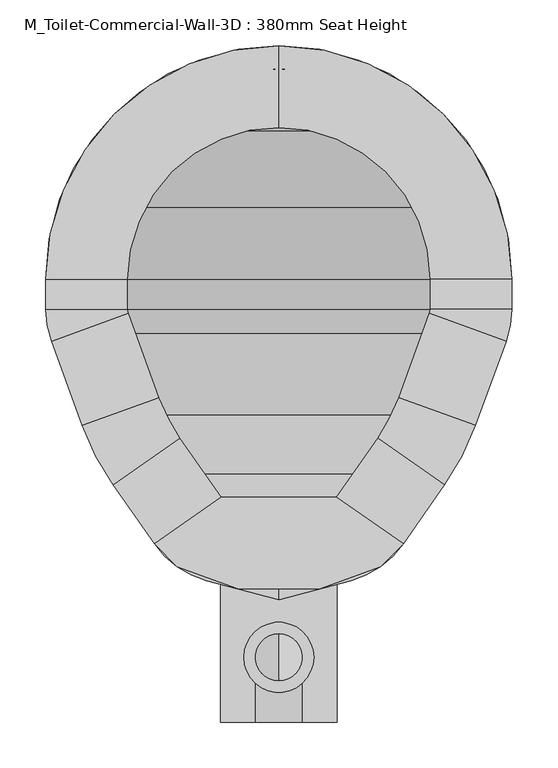
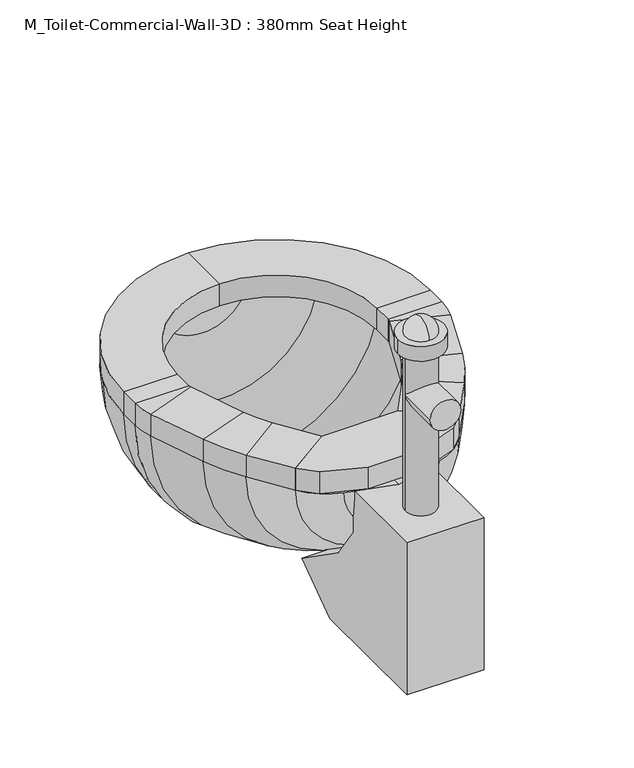
"""IFC4 building model written with IfcOpenShell, lengths in millimetres: flow terminal geometry, M_Toilet-Commercial-Wall-3D : 380mm Seat Height."""

from ifc_helpers import new_model, si_unit, point, frame, frame_2d, origin, place, context, project, spatial, polyline, circle_curve, ellipse_curve, trimmed, segment, composite_curve, outline, extrude, source, transform, mapped, element, save
from ifc_brep_helpers import plane_surface, cylinder_surface, revolved_surface, advanced_brep


def m_toilet_commercial_wall_3d_380mm_seat_height_4c4893a2(model_context):
    return source(origin(), model_context, "Body", "SolidModel", [
        extrude(outline(polyline([(467.7541169, 250.0347495), (540.5767337, 199.0438043), (515.6262519, 174.0933226), (449.563909, 150.0485961), (360.2423986, 150.0485961), (294.1800557, 174.0933226), (269.229574, 199.0438043), (342.0521907, 250.0347495), (467.7541169, 250.0347495)])), frame((0.0, 0.0, 341.9), z_axis=(0.0, 0.0, 1.0), x_axis=(1.0, 0.0, 0.0)), (0.0, 0.0, 1.0), 38.1),
        advanced_brep(
        [(467.7541169, 250.0347495, 341.9), (540.5767337, 199.0438043, 341.9), (540.5767337, 199.0438043, 380.0), (467.7541169, 250.0347495, 380.0), (512.8583992, 314.4503403, 341.9), (585.6810159, 263.4593951, 341.9), (585.6810159, 263.4593951, 380.0), (512.8583992, 314.4503403, 380.0), (619.360053, 328.1562234, 341.9), (535.821379, 358.5618141, 341.9), (619.360053, 328.1562234, 380.0), (535.821379, 358.5618141, 380.0), (569.2372501, 450.3711654, 341.9), (652.7759241, 419.9655747, 341.9), (652.7759241, 419.9655747, 380.0), (569.2372501, 450.3711654, 380.0), (658.9031538, 454.7148212, 341.9), (570.0031538, 454.7148212, 341.9), (658.9031538, 454.7148212, 380.0), (570.0031538, 454.7148212, 380.0), (570.0031538, 487.6, 341.9), (658.9031538, 487.6, 341.9), (658.9031538, 487.6, 380.0), (570.0031538, 487.6, 380.0), (404.9031538, 741.6, 341.9), (404.9031538, 652.7, 341.9), (404.9031538, 741.6, 380.0), (404.9031538, 652.7, 380.0), (150.9031538, 487.6, 341.9), (239.8031538, 487.6, 341.9), (150.9031538, 487.6, 380.0), (239.8031538, 487.6, 380.0), (239.8031538, 454.7148212, 341.9), (150.9031538, 454.7148212, 341.9), (150.9031538, 454.7148212, 380.0), (239.8031538, 454.7148212, 380.0), (157.0303835, 419.9655747, 341.9), (240.5690575, 450.3711654, 341.9), (157.0303835, 419.9655747, 380.0), (240.5690575, 450.3711654, 380.0), (273.9849286, 358.5618141, 341.9), (190.4462546, 328.1562234, 341.9), (190.4462546, 328.1562234, 380.0), (273.9849286, 358.5618141, 380.0), (224.1252917, 263.4593951, 341.9), (296.9479084, 314.4503403, 341.9), (224.1252917, 263.4593951, 380.0), (296.9479084, 314.4503403, 380.0), (342.0521907, 250.0347495, 341.9), (342.0521907, 250.0347495, 380.0), (269.229574, 199.0438043, 380.0), (269.229574, 199.0438043, 341.9)],
        [
            (0, 1),
            (1, 2),
            (2, 3),
            (3, 0),
            (0, 4),
            (4, 5),
            (5, 1),
            (5, 6),
            (6, 2),
            (6, 7),
            (7, 3),
            (7, 4),
            (8, 5, circle_curve(frame((356.8099347, 423.7166514, 341.9), z_axis=(0.0, 0.0, -1.0), x_axis=(0.819152044288991, -0.5735764363510472, 0.0)), 279.4)),
            (4, 9, circle_curve(frame((356.8099347, 423.7166514, 341.9), z_axis=(0.0, 0.0, 1.0), x_axis=(0.819152044288991, -0.5735764363510472, 0.0)), 190.5)),
            (9, 8),
            (10, 6, circle_curve(frame((356.8099347, 423.7166514, 380.0), z_axis=(0.0, 0.0, -1.0), x_axis=(0.819152044288991, -0.5735764363510472, 0.0)), 279.4)),
            (8, 10),
            (11, 7, circle_curve(frame((356.8099347, 423.7166514, 380.0), z_axis=(0.0, 0.0, -1.0), x_axis=(0.819152044288991, -0.5735764363510472, 0.0)), 190.5)),
            (10, 11),
            (11, 9),
            (9, 12),
            (12, 13),
            (13, 8),
            (13, 14),
            (14, 10),
            (14, 15),
            (15, 11),
            (15, 12),
            (16, 13, circle_curve(frame((557.3031538, 454.7148212, 341.9), z_axis=(0.0, 0.0, -1.0), x_axis=(0.93969262078591, -0.3420201433256644, 0.0)), 101.6)),
            (12, 17, circle_curve(frame((557.3031538, 454.7148212, 341.9), z_axis=(0.0, 0.0, 1.0), x_axis=(0.93969262078591, -0.3420201433256644, 0.0)), 12.7)),
            (17, 16),
            (18, 14, circle_curve(frame((557.3031538, 454.7148212, 380.0), z_axis=(0.0, 0.0, -1.0), x_axis=(0.93969262078591, -0.3420201433256644, 0.0)), 101.6)),
            (16, 18),
            (19, 15, circle_curve(frame((557.3031538, 454.7148212, 380.0), z_axis=(0.0, 0.0, -1.0), x_axis=(0.93969262078591, -0.3420201433256644, 0.0)), 12.7)),
            (18, 19),
            (19, 17),
            (17, 20),
            (20, 21),
            (21, 16),
            (21, 22),
            (22, 18),
            (22, 23),
            (23, 19),
            (23, 20),
            (24, 21, circle_curve(frame((404.9031538, 487.6, 341.9), z_axis=(0.0, 0.0, -1.0), x_axis=(1.0, 0.0, 0.0)), 254.0)),
            (20, 25, circle_curve(frame((404.9031538, 487.6, 341.9), z_axis=(0.0, 0.0, 1.0), x_axis=(1.0, 0.0, 0.0)), 165.1)),
            (25, 24),
            (26, 22, circle_curve(frame((404.9031538, 487.6, 380.0), z_axis=(0.0, 0.0, -1.0), x_axis=(1.0, 0.0, 0.0)), 254.0)),
            (24, 26),
            (27, 23, circle_curve(frame((404.9031538, 487.6, 380.0), z_axis=(0.0, 0.0, -1.0), x_axis=(1.0, 0.0, 0.0)), 165.1)),
            (26, 27),
            (27, 25),
            (28, 24, circle_curve(frame((404.9031538, 487.6, 341.9), z_axis=(0.0, 0.0, -1.0), x_axis=(0.0, 1.0, 0.0)), 254.0)),
            (25, 29, circle_curve(frame((404.9031538, 487.6, 341.9), z_axis=(0.0, 0.0, 1.0), x_axis=(0.0, 1.0, 0.0)), 165.1)),
            (29, 28),
            (30, 26, circle_curve(frame((404.9031538, 487.6, 380.0), z_axis=(0.0, 0.0, -1.0), x_axis=(0.0, 1.0, 0.0)), 254.0)),
            (28, 30),
            (31, 27, circle_curve(frame((404.9031538, 487.6, 380.0), z_axis=(0.0, 0.0, -1.0), x_axis=(0.0, 1.0, 0.0)), 165.1)),
            (30, 31),
            (31, 29),
            (29, 32),
            (32, 33),
            (33, 28),
            (33, 34),
            (34, 30),
            (34, 35),
            (35, 31),
            (35, 32),
            (36, 33, circle_curve(frame((252.5031538, 454.7148212, 341.9), z_axis=(0.0, 0.0, -1.0), x_axis=(-1.0, 0.0, 0.0)), 101.6)),
            (32, 37, circle_curve(frame((252.5031538, 454.7148212, 341.9), z_axis=(0.0, 0.0, 1.0), x_axis=(-1.0, 0.0, 0.0)), 12.7)),
            (37, 36),
            (38, 34, circle_curve(frame((252.5031538, 454.7148212, 380.0), z_axis=(0.0, 0.0, -1.0), x_axis=(-1.0, 0.0, 0.0)), 101.6)),
            (36, 38),
            (39, 35, circle_curve(frame((252.5031538, 454.7148212, 380.0), z_axis=(0.0, 0.0, -1.0), x_axis=(-1.0, 0.0, 0.0)), 12.7)),
            (38, 39),
            (39, 37),
            (37, 40),
            (40, 41),
            (41, 36),
            (41, 42),
            (42, 38),
            (42, 43),
            (43, 39),
            (43, 40),
            (44, 41, circle_curve(frame((452.9963729, 423.7166514, 341.9), z_axis=(0.0, 0.0, -1.0), x_axis=(-0.9396926207859084, -0.3420201433256685, 0.0)), 279.4)),
            (40, 45, circle_curve(frame((452.9963729, 423.7166514, 341.9), z_axis=(0.0, 0.0, 1.0), x_axis=(-0.9396926207859084, -0.3420201433256685, 0.0)), 190.5)),
            (45, 44),
            (46, 42, circle_curve(frame((452.9963729, 423.7166514, 380.0), z_axis=(0.0, 0.0, -1.0), x_axis=(-0.9396926207859084, -0.3420201433256685, 0.0)), 279.4)),
            (44, 46),
            (47, 43, circle_curve(frame((452.9963729, 423.7166514, 380.0), z_axis=(0.0, 0.0, -1.0), x_axis=(-0.9396926207859084, -0.3420201433256685, 0.0)), 190.5)),
            (46, 47),
            (47, 45),
            (48, 49),
            (49, 50),
            (50, 51),
            (51, 48),
            (45, 48),
            (51, 44),
            (50, 46),
            (49, 47),
        ],
        [
            plane_surface(frame((540.5767337, 199.0438043, 438.6203184), z_axis=(-0.5735764363510414, -0.8191520442889952, 0.0), x_axis=(0.8191520442889952, -0.5735764363510414, 0.0))),
            plane_surface(frame((467.7541169, 250.0347495, 341.9), z_axis=(0.0, 0.0, -1.0), x_axis=(0.5735764363510414, 0.8191520442889952, 0.0))),
            plane_surface(frame((540.5767337, 199.0438043, 341.9), z_axis=(0.8191520442889952, -0.5735764363510414, 0.0), x_axis=(0.5735764363510414, 0.8191520442889952, 0.0))),
            plane_surface(frame((540.5767337, 199.0438043, 380.0), z_axis=(0.0, 0.0, 1.0), x_axis=(0.5735764363510414, 0.8191520442889952, 0.0))),
            plane_surface(frame((467.7541169, 250.0347495, 380.0), z_axis=(-0.819152044288995, 0.5735764363510416, 0.0), x_axis=(0.5735764363510416, 0.819152044288995, 0.0))),
            plane_surface(frame((356.8099347, 423.7166514, 341.9), z_axis=(0.0, 0.0, -1.0), x_axis=(0.819152044288991, -0.5735764363510472, 0.0))),
            cylinder_surface(frame((356.8099347, 423.7166514, 341.9), z_axis=(0.0, 0.0, 1.0), x_axis=(0.819152044288991, -0.5735764363510472, 0.0)), 279.4),
            plane_surface(frame((356.8099347, 423.7166514, 380.0), z_axis=(0.0, 0.0, 1.0), x_axis=(0.819152044288991, -0.5735764363510472, 0.0))),
            revolved_surface(polyline([(512.8583991370527, 314.45034027512554, 380.0), (512.8583991370527, 314.45034027512554, 341.9)]), (356.8099347, 423.7166514, 341.9), (0.0, 0.0, 1.0)),
            plane_surface(frame((535.821379, 358.5618141, 341.9), z_axis=(0.0, 0.0, -1.0000000000000002), x_axis=(0.34202014332563535, 0.9396926207859206, 0.0))),
            plane_surface(frame((619.360053, 328.1562234, 341.9), z_axis=(0.9396926207859209, -0.34202014332563463, 0.0), x_axis=(0.34202014332563463, 0.9396926207859209, 0.0))),
            plane_surface(frame((619.360053, 328.1562234, 380.0), z_axis=(0.0, 0.0, 1.0), x_axis=(0.342020143325636, 0.9396926207859203, 0.0))),
            plane_surface(frame((535.821379, 358.5618141, 380.0), z_axis=(-0.9396926207859204, 0.34202014332563596, 0.0), x_axis=(0.34202014332563596, 0.9396926207859204, 0.0))),
            plane_surface(frame((557.3031538, 454.7148212, 341.9), z_axis=(0.0, 0.0, -1.0), x_axis=(0.93969262078591, -0.3420201433256644, 0.0))),
            cylinder_surface(frame((557.3031538, 454.7148212, 341.9), z_axis=(0.0, 0.0, 1.0), x_axis=(0.93969262078591, -0.3420201433256644, 0.0)), 101.6),
            plane_surface(frame((557.3031538, 454.7148212, 380.0), z_axis=(0.0, 0.0, 1.0), x_axis=(0.93969262078591, -0.3420201433256644, 0.0))),
            revolved_surface(polyline([(569.237250083981, 450.3711653797641, 380.0), (569.237250083981, 450.3711653797641, 341.9)]), (557.3031538, 454.7148212, 341.9), (0.0, 0.0, 1.0)),
            plane_surface(frame((570.0031538, 454.7148212, 341.9), z_axis=(0.0, 0.0, -1.0), x_axis=(0.0, 1.0, 0.0))),
            plane_surface(frame((658.9031538, 454.7148212, 341.9), z_axis=(1.0, 0.0, 0.0), x_axis=(0.0, 1.0, 0.0))),
            plane_surface(frame((658.9031538, 454.7148212, 380.0), z_axis=(0.0, 0.0, 1.0), x_axis=(0.0, 1.0, 0.0))),
            plane_surface(frame((570.0031538, 454.7148212, 380.0), z_axis=(-1.0, 0.0, 0.0), x_axis=(0.0, 1.0, 0.0))),
            plane_surface(frame((404.9031538, 487.6, 341.9), z_axis=(0.0, 0.0, -1.0), x_axis=(1.0, 0.0, 0.0))),
            cylinder_surface(frame((404.9031538, 487.6, 341.9), z_axis=(0.0, 0.0, 1.0), x_axis=(1.0, 0.0, 0.0)), 254.0),
            plane_surface(frame((404.9031538, 487.6, 380.0), z_axis=(0.0, 0.0, 1.0), x_axis=(1.0, 0.0, 0.0))),
            revolved_surface(polyline([(570.0031538, 487.6, 380.0), (570.0031538, 487.6, 341.9)]), (404.9031538, 487.6, 341.9), (0.0, 0.0, 1.0)),
            plane_surface(frame((404.9031538, 487.6, 341.9), z_axis=(0.0, 0.0, -1.0), x_axis=(0.0, 1.0, 0.0))),
            cylinder_surface(frame((404.9031538, 487.6, 341.9), z_axis=(0.0, 0.0, 1.0), x_axis=(0.0, 1.0, 0.0)), 254.0),
            plane_surface(frame((404.9031538, 487.6, 380.0), z_axis=(0.0, 0.0, 1.0), x_axis=(0.0, 1.0, 0.0))),
            revolved_surface(polyline([(404.9031538, 652.7, 380.0), (404.9031538, 652.7, 341.9)]), (404.9031538, 487.6, 341.9), (0.0, 0.0, 1.0)),
            plane_surface(frame((239.8031538, 487.6, 341.9), z_axis=(0.0, 0.0, -1.0), x_axis=(0.0, -1.0, 0.0))),
            plane_surface(frame((150.9031538, 487.6, 341.9), z_axis=(-1.0, 0.0, 0.0), x_axis=(0.0, -1.0, 0.0))),
            plane_surface(frame((150.9031538, 487.6, 380.0), z_axis=(0.0, 0.0, 1.0), x_axis=(0.0, -1.0, 0.0))),
            plane_surface(frame((239.8031538, 487.6, 380.0), z_axis=(1.0, 0.0, 0.0), x_axis=(0.0, -1.0, 0.0))),
            plane_surface(frame((252.5031538, 454.7148212, 341.9), z_axis=(0.0, 0.0, -1.0), x_axis=(-1.0, 0.0, 0.0))),
            cylinder_surface(frame((252.5031538, 454.7148212, 341.9), z_axis=(0.0, 0.0, 1.0), x_axis=(-1.0, 0.0, 0.0)), 101.6),
            plane_surface(frame((252.5031538, 454.7148212, 380.0), z_axis=(0.0, 0.0, 1.0), x_axis=(-1.0, 0.0, 0.0))),
            revolved_surface(polyline([(239.80315380000002, 454.7148212, 380.0), (239.80315380000002, 454.7148212, 341.9)]), (252.5031538, 454.7148212, 341.9), (0.0, 0.0, 1.0)),
            plane_surface(frame((240.5690575, 450.3711654, 341.9), z_axis=(0.0, 0.0, -1.0), x_axis=(0.34202014332566133, -0.9396926207859111, 0.0))),
            plane_surface(frame((157.0303835, 419.9655747, 341.9), z_axis=(-0.9396926207859112, -0.3420201433256612, 0.0), x_axis=(0.3420201433256612, -0.9396926207859112, 0.0))),
            plane_surface(frame((157.0303835, 419.9655747, 380.0), z_axis=(0.0, 0.0, 1.0000000000000002), x_axis=(0.3420201433256612, -0.9396926207859112, 0.0))),
            plane_surface(frame((240.5690575, 450.3711654, 380.0), z_axis=(0.9396926207859111, 0.34202014332566144, 0.0), x_axis=(0.34202014332566144, -0.9396926207859111, 0.0))),
            plane_surface(frame((452.9963729, 423.7166514, 341.9), z_axis=(0.0, 0.0, -1.0000000000000002), x_axis=(-0.9396926207859085, -0.34202014332566855, 0.0))),
            cylinder_surface(frame((452.9963729, 423.7166514, 341.9), z_axis=(0.0, 0.0, 1.0), x_axis=(-0.9396926207859084, -0.3420201433256685, 0.0)), 279.4),
            plane_surface(frame((452.9963729, 423.7166514, 380.0), z_axis=(0.0, 0.0, 1.0000000000000002), x_axis=(-0.9396926207859085, -0.34202014332566855, 0.0))),
            revolved_surface(polyline([(273.98492864028447, 358.5618140964601, 380.0), (273.98492864028447, 358.5618140964601, 341.9)]), (452.9963729, 423.7166514, 341.9), (0.0, 0.0, 1.0)),
            plane_surface(frame((269.229574, 199.0438043, 245.1796816), z_axis=(0.5735764363510485, -0.8191520442889902, 0.0), x_axis=(0.8191520442889902, 0.5735764363510485, 0.0))),
            plane_surface(frame((296.9479084, 314.4503403, 341.9), z_axis=(0.0, 0.0, -1.0), x_axis=(0.5735764363510488, -0.81915204428899, 0.0))),
            plane_surface(frame((224.1252917, 263.4593951, 341.9), z_axis=(-0.8191520442889901, -0.5735764363510485, 0.0), x_axis=(0.5735764363510485, -0.8191520442889901, 0.0))),
            plane_surface(frame((224.1252917, 263.4593951, 380.0), z_axis=(0.0, 0.0, 1.0), x_axis=(0.5735764363510483, -0.8191520442889904, 0.0))),
            plane_surface(frame((296.9479084, 314.4503403, 380.0), z_axis=(0.8191520442889898, 0.573576436351049, 0.0), x_axis=(0.573576436351049, -0.8191520442889898, 0.0))),
        ],
        [
            (0, [[1, 2, 3, 4]]),
            (1, [[-1, 5, 6, 7]]),
            (2, [[-2, -7, 8, 9]]),
            (3, [[-3, -9, 10, 11]]),
            (4, [[-4, -11, 12, -5]]),
            (5, [[13, -6, 14, 15]]),
            (6, [[16, -8, -13, 17]]),
            (7, [[18, -10, -16, 19]]),
            (8, [[-14, -12, -18, 20]]),
            (9, [[-15, 21, 22, 23]]),
            (10, [[-17, -23, 24, 25]]),
            (11, [[-19, -25, 26, 27]]),
            (12, [[-20, -27, 28, -21]]),
            (13, [[29, -22, 30, 31]]),
            (14, [[32, -24, -29, 33]]),
            (15, [[34, -26, -32, 35]]),
            (16, [[-30, -28, -34, 36]]),
            (17, [[-31, 37, 38, 39]]),
            (18, [[-33, -39, 40, 41]]),
            (19, [[-35, -41, 42, 43]]),
            (20, [[-36, -43, 44, -37]]),
            (21, [[45, -38, 46, 47]]),
            (22, [[48, -40, -45, 49]]),
            (23, [[50, -42, -48, 51]]),
            (24, [[-46, -44, -50, 52]]),
            (25, [[53, -47, 54, 55]]),
            (26, [[56, -49, -53, 57]]),
            (27, [[58, -51, -56, 59]]),
            (28, [[-54, -52, -58, 60]]),
            (29, [[-55, 61, 62, 63]]),
            (30, [[-57, -63, 64, 65]]),
            (31, [[-59, -65, 66, 67]]),
            (32, [[-60, -67, 68, -61]]),
            (33, [[69, -62, 70, 71]]),
            (34, [[72, -64, -69, 73]]),
            (35, [[74, -66, -72, 75]]),
            (36, [[-70, -68, -74, 76]]),
            (37, [[-71, 77, 78, 79]]),
            (38, [[-73, -79, 80, 81]]),
            (39, [[-75, -81, 82, 83]]),
            (40, [[-76, -83, 84, -77]]),
            (41, [[85, -78, 86, 87]]),
            (42, [[88, -80, -85, 89]]),
            (43, [[90, -82, -88, 91]]),
            (44, [[-86, -84, -90, 92]]),
            (45, [[93, 94, 95, 96]]),
            (46, [[-87, 97, -96, 98]]),
            (47, [[-89, -98, -95, 99]]),
            (48, [[-91, -99, -94, 100]]),
            (49, [[-92, -100, -93, -97]]),
        ],
    ),
        advanced_brep(
        [(491.7762702, 726.2819257, 341.9), (404.9031538, 741.6, 341.9), (404.9031538, 716.2, 341.9), (483.0889586, 702.4137331, 341.9), (566.547764, 649.2446102, 341.9), (619.7168869, 565.7858048, 341.9), (633.5031538, 487.6, 341.9), (633.5031538, 454.7148212, 341.9), (628.9077315, 428.6528863, 341.9), (596.6355667, 339.9858422, 341.9), (562.9565296, 275.2890139, 341.9), (525.0728964, 221.1855786, 341.9), (468.1430637, 181.3228806, 341.9), (404.9031538, 164.3777978, 341.9), (404.9031538, 138.0817829, 341.9), (483.6469009, 159.1811063, 341.9), (540.5767337, 199.0438043, 341.9), (585.6810159, 263.4593951, 341.9), (619.360053, 328.1562234, 341.9), (652.7759241, 419.9655747, 341.9), (658.9031538, 454.7148212, 341.9), (658.9031538, 487.6, 341.9), (643.5850795, 574.4731164, 341.9), (584.5082762, 667.2051224, 341.9), (318.0300374, 726.2819257, 341.9), (225.2980314, 667.2051224, 341.9), (166.2212281, 574.4731164, 341.9), (150.9031538, 487.6, 341.9), (150.9031538, 454.7148212, 341.9), (157.0303835, 419.9655747, 341.9), (190.4462546, 328.1562234, 341.9), (224.1252917, 263.4593951, 341.9), (269.229574, 199.0438043, 341.9), (326.1594067, 159.1811063, 341.9), (341.663244, 181.3228806, 341.9), (284.7334112, 221.1855786, 341.9), (246.849778, 275.2890139, 341.9), (213.1707409, 339.9858422, 341.9), (180.8985761, 428.6528863, 341.9), (176.3031538, 454.7148212, 341.9), (176.3031538, 487.6, 341.9), (190.0894207, 565.7858048, 341.9), (243.2585436, 649.2446102, 341.9), (326.7173491, 702.4137331, 341.9)],
        [
            (0, 1, circle_curve(frame((404.9031538, 487.6, 341.9), z_axis=(0.0, 0.0, 1.0), x_axis=(1.0, 0.0, 0.0)), 254.0)),
            (1, 2),
            (2, 3, circle_curve(frame((404.9031538, 487.6, 341.9), z_axis=(0.0, 0.0, -1.0), x_axis=(1.0, 0.0, 0.0)), 228.6)),
            (3, 4, circle_curve(frame((404.9031538, 487.6, 341.9), z_axis=(0.0, 0.0, -1.0), x_axis=(1.0, 0.0, 0.0)), 228.6)),
            (4, 5, circle_curve(frame((404.9031538, 487.6, 341.9), z_axis=(0.0, 0.0, -1.0), x_axis=(1.0, 0.0, 0.0)), 228.6)),
            (5, 6, circle_curve(frame((404.9031538, 487.6, 341.9), z_axis=(0.0, 0.0, -1.0), x_axis=(1.0, 0.0, 0.0)), 228.6)),
            (6, 7),
            (7, 8, circle_curve(frame((557.3031538, 454.7148212, 341.9), z_axis=(0.0, 0.0, -1.0), x_axis=(1.0, 0.0, 0.0)), 76.2)),
            (8, 9),
            (9, 10, circle_curve(frame((334.0854485, 435.5462703, 341.9), z_axis=(0.0, 0.0, -1.0), x_axis=(1.0, 0.0, 0.0)), 279.4)),
            (10, 11),
            (11, 12, circle_curve(frame((441.8470487, 279.4609446, 341.9), z_axis=(0.0, 0.0, -1.0), x_axis=(1.0, 0.0, 0.0)), 101.6)),
            (12, 13),
            (13, 14),
            (14, 15),
            (15, 16, circle_curve(frame((457.350886, 257.3191703, 341.9), z_axis=(0.0, 0.0, 1.0), x_axis=(1.0, 0.0, 0.0)), 101.6)),
            (16, 17),
            (17, 18, circle_curve(frame((356.8099347, 423.7166514, 341.9), z_axis=(0.0, 0.0, 1.0), x_axis=(1.0, 0.0, 0.0)), 279.4)),
            (18, 19),
            (19, 20, circle_curve(frame((557.3031538, 454.7148212, 341.9), z_axis=(0.0, 0.0, 1.0), x_axis=(1.0, 0.0, 0.0)), 101.6)),
            (20, 21),
            (21, 22, circle_curve(frame((404.9031538, 487.6, 341.9), z_axis=(0.0, 0.0, 1.0), x_axis=(1.0, 0.0, 0.0)), 254.0)),
            (22, 23, circle_curve(frame((404.9031538, 487.6, 341.9), z_axis=(0.0, 0.0, 1.0), x_axis=(1.0, 0.0, 0.0)), 254.0)),
            (23, 0, circle_curve(frame((404.9031538, 487.6, 341.9), z_axis=(0.0, 0.0, 1.0), x_axis=(1.0, 0.0, 0.0)), 254.0)),
            (24, 25, circle_curve(frame((404.9031538, 487.6, 341.9), z_axis=(0.0, 0.0, 1.0), x_axis=(-1.0, 0.0, 0.0)), 254.0)),
            (25, 26, circle_curve(frame((404.9031538, 487.6, 341.9), z_axis=(0.0, 0.0, 1.0), x_axis=(-1.0, 0.0, 0.0)), 254.0)),
            (26, 27, circle_curve(frame((404.9031538, 487.6, 341.9), z_axis=(0.0, 0.0, 1.0), x_axis=(-1.0, 0.0, 0.0)), 254.0)),
            (27, 28),
            (28, 29, circle_curve(frame((252.5031538, 454.7148212, 341.9), z_axis=(0.0, 0.0, 1.0), x_axis=(-1.0, 0.0, 0.0)), 101.6)),
            (29, 30),
            (30, 31, circle_curve(frame((452.9963729, 423.7166514, 341.9), z_axis=(0.0, 0.0, 1.0), x_axis=(-1.0, 0.0, 0.0)), 279.4)),
            (31, 32),
            (32, 33, circle_curve(frame((352.4554217, 257.3191703, 341.9), z_axis=(0.0, 0.0, 1.0), x_axis=(-1.0, 0.0, 0.0)), 101.6)),
            (33, 14),
            (13, 34),
            (34, 35, circle_curve(frame((367.9592589, 279.4609446, 341.9), z_axis=(0.0, 0.0, -1.0), x_axis=(-1.0, 0.0, 0.0)), 101.6)),
            (35, 36),
            (36, 37, circle_curve(frame((475.7208592, 435.5462703, 341.9), z_axis=(0.0, 0.0, -1.0), x_axis=(-1.0, 0.0, 0.0)), 279.4)),
            (37, 38),
            (38, 39, circle_curve(frame((252.5031538, 454.7148212, 341.9), z_axis=(0.0, 0.0, -1.0), x_axis=(-1.0, 0.0, 0.0)), 76.2)),
            (39, 40),
            (40, 41, circle_curve(frame((404.9031538, 487.6, 341.9), z_axis=(0.0, 0.0, -1.0), x_axis=(-1.0, 0.0, 0.0)), 228.6)),
            (41, 42, circle_curve(frame((404.9031538, 487.6, 341.9), z_axis=(0.0, 0.0, -1.0), x_axis=(-1.0, 0.0, 0.0)), 228.6)),
            (42, 43, circle_curve(frame((404.9031538, 487.6, 341.9), z_axis=(0.0, 0.0, -1.0), x_axis=(-1.0, 0.0, 0.0)), 228.6)),
            (43, 2, circle_curve(frame((404.9031538, 487.6, 341.9), z_axis=(0.0, 0.0, -1.0), x_axis=(-1.0, 0.0, 0.0)), 228.6)),
            (1, 24, circle_curve(frame((404.9031538, 487.6, 341.9), z_axis=(0.0, 0.0, 1.0), x_axis=(-1.0, 0.0, 0.0)), 254.0)),
            (0, 24, circle_curve(frame((404.9031538, 726.2819257, 341.9), z_axis=(0.0, 1.0, 0.0), x_axis=(1.0, 0.0, 0.0)), 86.8731164)),
            (43, 3, circle_curve(frame((404.9031538, 702.4137331, 341.9), z_axis=(0.0, -1.0, 0.0), x_axis=(1.0, 0.0, 0.0)), 78.1858048)),
            (42, 4, circle_curve(frame((404.9031538, 649.2446102, 341.9), z_axis=(0.0, -1.0, 0.0), x_axis=(1.0, 0.0, 0.0)), 161.6446102)),
            (41, 5, circle_curve(frame((404.9031538, 565.7858048, 341.9), z_axis=(0.0, -1.0, 0.0), x_axis=(1.0, 0.0, 0.0)), 214.8137331)),
            (40, 6, circle_curve(frame((404.9031538, 487.6, 341.9), z_axis=(0.0, -1.0, 0.0), x_axis=(1.0, 0.0, 0.0)), 228.6)),
            (39, 7, circle_curve(frame((404.9031538, 454.7148212, 341.9), z_axis=(0.0, -1.0, 0.0), x_axis=(1.0, 0.0, 0.0)), 228.6)),
            (38, 8, circle_curve(frame((404.9031538, 428.6528863, 341.9), z_axis=(0.0, -1.0, 0.0), x_axis=(1.0, 0.0, 0.0)), 224.0045777)),
            (37, 9, circle_curve(frame((404.9031538, 339.9858422, 341.9), z_axis=(0.0, -1.0, 0.0), x_axis=(1.0, 0.0, 0.0)), 191.7324129)),
            (36, 10, circle_curve(frame((404.9031538, 275.2890139, 341.9), z_axis=(0.0, -1.0, 0.0), x_axis=(1.0, 0.0, 0.0)), 158.0533758)),
            (35, 11, circle_curve(frame((404.9031538, 221.1855786, 341.9), z_axis=(0.0, -1.0, 0.0), x_axis=(1.0, 0.0, 0.0)), 120.1697426)),
            (34, 12, circle_curve(frame((404.9031538, 181.3228806, 341.9), z_axis=(0.0, -1.0, 0.0), x_axis=(1.0, 0.0, 0.0)), 63.2399099)),
            (33, 15, circle_curve(frame((404.9031538, 159.1811063, 341.9), z_axis=(0.0, -1.0, 0.0), x_axis=(1.0, 0.0, 0.0)), 78.7437471)),
            (32, 16, circle_curve(frame((404.9031538, 199.0438043, 341.9), z_axis=(0.0, -1.0, 0.0), x_axis=(1.0, 0.0, 0.0)), 135.6735798)),
            (31, 17, circle_curve(frame((404.9031538, 263.4593951, 341.9), z_axis=(0.0, -1.0, 0.0), x_axis=(1.0, 0.0, 0.0)), 180.7778621)),
            (30, 18, circle_curve(frame((404.9031538, 328.1562234, 341.9), z_axis=(0.0, -1.0, 0.0), x_axis=(1.0, 0.0, 0.0)), 214.4568992)),
            (29, 19, circle_curve(frame((404.9031538, 419.9655747, 341.9), z_axis=(0.0, -1.0, 0.0), x_axis=(1.0, 0.0, 0.0)), 247.8727703)),
            (28, 20, circle_curve(frame((404.9031538, 454.7148212, 341.9), z_axis=(0.0, -1.0, 0.0), x_axis=(1.0, 0.0, 0.0)), 254.0)),
            (27, 21, circle_curve(frame((404.9031538, 487.6, 341.9), z_axis=(0.0, -1.0, 0.0), x_axis=(1.0, 0.0, 0.0)), 254.0)),
            (26, 22, circle_curve(frame((404.9031538, 574.4731164, 341.9), z_axis=(0.0, -1.0, 0.0), x_axis=(1.0, 0.0, 0.0)), 238.6819257)),
            (25, 23, circle_curve(frame((404.9031538, 667.2051224, 341.9), z_axis=(0.0, -1.0, 0.0), x_axis=(1.0, 0.0, 0.0)), 179.6051224)),
        ],
        [
            plane_surface(frame((404.9031538, 846.8102448, 341.9), z_axis=(0.0, 0.0, 1.0), x_axis=(1.0, 0.0, 0.0))),
            plane_surface(frame((404.9031538, 846.8102448, 341.9), z_axis=(0.0, 0.0, 1.0), x_axis=(-1.0, 0.0, 0.0))),
            revolved_surface(trimmed(ellipse_curve(frame((404.9031538, 487.6, 341.9), z_axis=(0.0, 0.0, 1.0), x_axis=(1.0, 0.0, 0.0)), 254.0, 254.0), [point((491.7762702, 726.2819257, 341.9))], [point((404.9031538, 741.6, 341.9))], True, "CARTESIAN"), (404.9031538, 846.8102448, 341.9), (0.0, 1.0, 0.0)),
            revolved_surface(trimmed(ellipse_curve(frame((404.9031538, 487.6, 341.9), z_axis=(0.0, 0.0, -1.0), x_axis=(1.0, 0.0, 0.0)), 228.6, 228.6), [point((404.9031538, 716.2, 341.9))], [point((483.0889586, 702.4137331, 341.9))], True, "CARTESIAN"), (404.9031538, 846.8102448, 341.9), (0.0, 1.0, 0.0)),
            revolved_surface(trimmed(ellipse_curve(frame((404.9031538, 487.6, 341.9), z_axis=(0.0, 0.0, -1.0), x_axis=(1.0, 0.0, 0.0)), 228.6, 228.6), [point((483.0889586, 702.4137331, 341.9))], [point((566.547764, 649.2446102, 341.9))], True, "CARTESIAN"), (404.9031538, 846.8102448, 341.9), (0.0, 1.0, 0.0)),
            revolved_surface(trimmed(ellipse_curve(frame((404.9031538, 487.6, 341.9), z_axis=(0.0, 0.0, -1.0), x_axis=(1.0, 0.0, 0.0)), 228.6, 228.6), [point((566.547764, 649.2446102, 341.9))], [point((619.7168869, 565.7858048, 341.9))], True, "CARTESIAN"), (404.9031538, 846.8102448, 341.9), (0.0, 1.0, 0.0)),
            revolved_surface(trimmed(ellipse_curve(frame((404.9031538, 487.6, 341.9), z_axis=(0.0, 0.0, -1.0), x_axis=(1.0, 0.0, 0.0)), 228.6, 228.6), [point((619.7168869, 565.7858048, 341.9))], [point((633.5031538, 487.6, 341.9))], True, "CARTESIAN"), (404.9031538, 846.8102448, 341.9), (0.0, 1.0, 0.0)),
            revolved_surface(polyline([(633.5031538, 487.6, 341.9), (633.5031538, 454.7148212, 341.9)]), (404.9031538, 846.8102448, 341.9), (0.0, 1.0, 0.0)),
            revolved_surface(trimmed(ellipse_curve(frame((557.3031538, 454.7148212, 341.9), z_axis=(0.0, 0.0, -1.0), x_axis=(1.0, 0.0, 0.0)), 76.2, 76.2), [point((633.5031538, 454.7148212, 341.9))], [point((628.9077315, 428.6528863, 341.9))], True, "CARTESIAN"), (404.9031538, 846.8102448, 341.9), (0.0, 1.0, 0.0)),
            revolved_surface(polyline([(628.9077315, 428.6528863, 341.9), (596.6355667, 339.9858422, 341.9)]), (404.9031538, 846.8102448, 341.9), (0.0, 1.0, 0.0)),
            revolved_surface(trimmed(ellipse_curve(frame((334.0854485, 435.5462703, 341.9), z_axis=(0.0, 0.0, -1.0), x_axis=(1.0, 0.0, 0.0)), 279.4, 279.4), [point((596.6355667, 339.9858422, 341.9))], [point((562.9565296, 275.2890139, 341.9))], True, "CARTESIAN"), (404.9031538, 846.8102448, 341.9), (0.0, 1.0, 0.0)),
            revolved_surface(polyline([(562.9565296, 275.2890139, 341.9), (525.0728964, 221.1855786, 341.9)]), (404.9031538, 846.8102448, 341.9), (0.0, 1.0, 0.0)),
            revolved_surface(trimmed(ellipse_curve(frame((441.8470487, 279.4609446, 341.9), z_axis=(0.0, 0.0, -1.0), x_axis=(1.0, 0.0, 0.0)), 101.6, 101.6), [point((525.0728964, 221.1855786, 341.9))], [point((468.1430637, 181.3228806, 341.9))], True, "CARTESIAN"), (404.9031538, 846.8102448, 341.9), (0.0, 1.0, 0.0)),
            revolved_surface(polyline([(468.1430637, 181.3228806, 341.9), (404.9031538, 164.3777978, 341.9)]), (404.9031538, 846.8102448, 341.9), (0.0, 1.0, 0.0)),
            revolved_surface(polyline([(404.9031538, 138.0817829, 341.9), (483.6469009, 159.1811063, 341.9)]), (404.9031538, 846.8102448, 341.9), (0.0, 1.0, 0.0)),
            revolved_surface(trimmed(ellipse_curve(frame((457.350886, 257.3191703, 341.9), z_axis=(0.0, 0.0, 1.0), x_axis=(1.0, 0.0, 0.0)), 101.6, 101.6), [point((483.6469009, 159.1811063, 341.9))], [point((540.5767337, 199.0438043, 341.9))], True, "CARTESIAN"), (404.9031538, 846.8102448, 341.9), (0.0, 1.0, 0.0)),
            revolved_surface(polyline([(540.5767337, 199.0438043, 341.9), (585.6810159, 263.4593951, 341.9)]), (404.9031538, 846.8102448, 341.9), (0.0, 1.0, 0.0)),
            revolved_surface(trimmed(ellipse_curve(frame((356.8099347, 423.7166514, 341.9), z_axis=(0.0, 0.0, 1.0), x_axis=(1.0, 0.0, 0.0)), 279.4, 279.4), [point((585.6810159, 263.4593951, 341.9))], [point((619.360053, 328.1562234, 341.9))], True, "CARTESIAN"), (404.9031538, 846.8102448, 341.9), (0.0, 1.0, 0.0)),
            revolved_surface(polyline([(619.360053, 328.1562234, 341.9), (652.7759241, 419.9655747, 341.9)]), (404.9031538, 846.8102448, 341.9), (0.0, 1.0, 0.0)),
            revolved_surface(trimmed(ellipse_curve(frame((557.3031538, 454.7148212, 341.9), z_axis=(0.0, 0.0, 1.0), x_axis=(1.0, 0.0, 0.0)), 101.6, 101.6), [point((652.7759241, 419.9655747, 341.9))], [point((658.9031538, 454.7148212, 341.9))], True, "CARTESIAN"), (404.9031538, 846.8102448, 341.9), (0.0, 1.0, 0.0)),
            cylinder_surface(frame((404.9031538, 846.8102448, 341.9), z_axis=(0.0, 1.0, 0.0), x_axis=(1.0, 0.0, 0.0)), 254.0),
            revolved_surface(trimmed(ellipse_curve(frame((404.9031538, 487.6, 341.9), z_axis=(0.0, 0.0, 1.0), x_axis=(1.0, 0.0, 0.0)), 254.0, 254.0), [point((658.9031538, 487.6, 341.9))], [point((643.5850795, 574.4731164, 341.9))], True, "CARTESIAN"), (404.9031538, 846.8102448, 341.9), (0.0, 1.0, 0.0)),
            revolved_surface(trimmed(ellipse_curve(frame((404.9031538, 487.6, 341.9), z_axis=(0.0, 0.0, 1.0), x_axis=(1.0, 0.0, 0.0)), 254.0, 254.0), [point((643.5850795, 574.4731164, 341.9))], [point((584.5082762, 667.2051224, 341.9))], True, "CARTESIAN"), (404.9031538, 846.8102448, 341.9), (0.0, 1.0, 0.0)),
            revolved_surface(trimmed(ellipse_curve(frame((404.9031538, 487.6, 341.9), z_axis=(0.0, 0.0, 1.0), x_axis=(1.0, 0.0, 0.0)), 254.0, 254.0), [point((584.5082762, 667.2051224, 341.9))], [point((491.7762702, 726.2819257, 341.9))], True, "CARTESIAN"), (404.9031538, 846.8102448, 341.9), (0.0, 1.0, 0.0)),
        ],
        [
            (0, [[1, 2, 3, 4, 5, 6, 7, 8, 9, 10, 11, 12, 13, 14, 15, 16, 17, 18, 19, 20, 21, 22, 23, 24]]),
            (1, [[25, 26, 27, 28, 29, 30, 31, 32, 33, 34, -14, 35, 36, 37, 38, 39, 40, 41, 42, 43, 44, 45, -2, 46]]),
            (2, [[-1, 47, -46]]),
            (3, [[48, -3, -45]]),
            (4, [[49, -4, -48, -44]]),
            (5, [[50, -5, -49, -43]]),
            (6, [[51, -6, -50, -42]]),
            (7, [[52, -7, -51, -41]]),
            (8, [[53, -8, -52, -40]]),
            (9, [[54, -9, -53, -39]]),
            (10, [[55, -10, -54, -38]]),
            (11, [[56, -11, -55, -37]]),
            (12, [[57, -12, -56, -36]]),
            (13, [[-13, -57, -35]]),
            (14, [[58, -15, -34]]),
            (15, [[59, -16, -58, -33]]),
            (16, [[60, -17, -59, -32]]),
            (17, [[61, -18, -60, -31]]),
            (18, [[62, -19, -61, -30]]),
            (19, [[63, -20, -62, -29]]),
            (20, [[64, -21, -63, -28]]),
            (21, [[65, -22, -64, -27]]),
            (22, [[66, -23, -65, -26]]),
            (23, [[-47, -24, -66, -25]]),
        ],
    ),
        advanced_brep(
        [(404.9031538, 49.9176912, 646.7), (404.9031538, 101.1528563, 646.7), (404.9031538, 75.5352737, 672.3175826), (404.9031538, 75.5352737, 646.7)],
        [
            (0, 1, circle_curve(frame((404.9031538, 75.5352737, 646.7), z_axis=(0.0, 0.0, 1.0), x_axis=(0.0, 1.0, 0.0)), 25.6175826)),
            (1, 2, circle_curve(frame((404.9031538, 75.5352737, 646.7), z_axis=(1.0, 0.0, 0.0), x_axis=(0.0, -1.0, 0.0)), 25.6175826)),
            (2, 0, circle_curve(frame((404.9031538, 75.5352737, 646.7), z_axis=(1.0, 0.0, 0.0), x_axis=(0.0, 1.0, 0.0)), 25.6175826)),
            (1, 0, circle_curve(frame((404.9031538, 75.5352737, 646.7), z_axis=(0.0, 0.0, 1.0), x_axis=(0.0, 1.0, 0.0)), 25.6175826)),
            (3, 1),
            (0, 3),
        ],
        [
            revolved_surface(trimmed(ellipse_curve(frame((404.9031538, 75.5352737, 646.7), z_axis=(-1.0, 0.0, 0.0), x_axis=(0.0, -1.0, 0.0)), 25.6175826, 25.6175826), [point((404.9031538, 75.5352737, 672.3175826))], [point((404.9031538, 101.1528563, 646.7))], True, "CARTESIAN"), (404.9031538, 75.5352737, 711.3277273), (0.0, 0.0, -1.0)),
            plane_surface(frame((404.9031538, 75.5352737, 646.7), z_axis=(0.0, 0.0, -1.0), x_axis=(0.0, 1.0, 0.0))),
        ],
        [
            (0, [[1, 2, 3]]),
            (0, [[4, -3, -2]]),
            (1, [[5, -1, 6]]),
            (1, [[-6, -4, -5]]),
        ],
    ),
        extrude(outline(composite_curve([segment(trimmed(circle_curve(frame_2d((404.9031538, 75.5352737)), 38.1), [point((366.8031538, 75.5352737))], [point((443.0031538, 75.5352737))], False, "CARTESIAN"), True, "CONTINUOUS"), segment(trimmed(circle_curve(frame_2d((404.9031538, 75.5352737)), 38.1), [point((443.0031538, 75.5352737))], [point((366.8031538, 75.5352737))], False, "CARTESIAN"), True, "CONTINUOUS")], self_intersect=False)), frame((0.0, 0.0, 621.3), z_axis=(0.0, 0.0, 1.0), x_axis=(1.0, 0.0, 0.0)), (0.0, 0.0, 1.0), 25.4),
        extrude(outline(composite_curve([segment(trimmed(circle_curve(frame_2d((543.2113641, 404.9031538)), 25.4), [point((543.2113641, 379.5031538))], [point((543.2113641, 430.3031538))], False, "CARTESIAN"), True, "CONTINUOUS"), segment(trimmed(circle_curve(frame_2d((543.2113641, 404.9031538)), 25.4), [point((543.2113641, 430.3031538))], [point((543.2113641, 379.5031538))], False, "CARTESIAN"), True, "CONTINUOUS")], self_intersect=False)), frame((0.0, 5.0, 0.0), z_axis=(0.0, 1.0, 0.0), x_axis=(0.0, 0.0, 1.0)), (0.0, 0.0, 1.0), 70.64375),
        extrude(outline(composite_curve([segment(trimmed(circle_curve(frame_2d((404.9031538, 75.5352737)), 25.4), [point((379.5031538, 75.5352737))], [point((430.3031538, 75.5352737))], False, "CARTESIAN"), True, "CONTINUOUS"), segment(trimmed(circle_curve(frame_2d((404.9031538, 75.5352737)), 25.4), [point((430.3031538, 75.5352737))], [point((379.5031538, 75.5352737))], False, "CARTESIAN"), True, "CONTINUOUS")], self_intersect=False)), frame((0.0, 0.0, 341.9), z_axis=(0.0, 0.0, 1.0), x_axis=(1.0, 0.0, 0.0)), (0.0, 0.0, 1.0), 279.4),
        extrude(outline(polyline([(157.8037941, 341.9), (157.8037941, 268.296452), (201.5103185, 205.8770663), (305.5426282, 133.0328588), (225.0454017, 76.2), (5.0, 76.2), (5.0, 341.9), (157.8037941, 341.9)])), frame((341.4031538, 0.0, 0.0), z_axis=(1.0, 0.0, 0.0), x_axis=(0.0, 1.0, 0.0)), (0.0, 0.0, 1.0), 127.0),
    ])


if __name__ == "__main__":
    model = new_model("IFC4")
    model_context = context("Model", 3, world=origin())
    ifc_project = project(units=[si_unit("LENGTHUNIT", "METRE", prefix="MILLI")], contexts=[model_context])
    site = spatial("IfcSite", under=ifc_project)
    building = spatial("IfcBuilding", under=site)
    placement = place(None, origin())
    m_toilet_commercial_wall_3d_380mm_seat_height_shape = m_toilet_commercial_wall_3d_380mm_seat_height_4c4893a2(model_context)
    element("IfcFlowTerminal", 1, ObjectType="M_Toilet-Commercial-Wall-3D : 380mm Seat Height", at=placement, inside=building, context=model_context, shape_type="MappedRepresentation", body=[
        mapped(m_toilet_commercial_wall_3d_380mm_seat_height_shape, transform((0.0, 0.0, 0.0), x_axis=(1.0, 0.0, 0.0), y_axis=(0.0, 1.0, 0.0), z_axis=(0.0, 0.0, 1.0))),
    ])
    save(model, "model.ifc")
